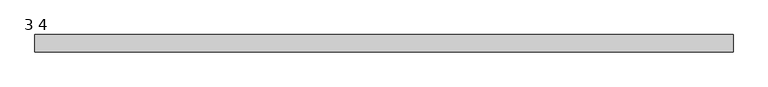
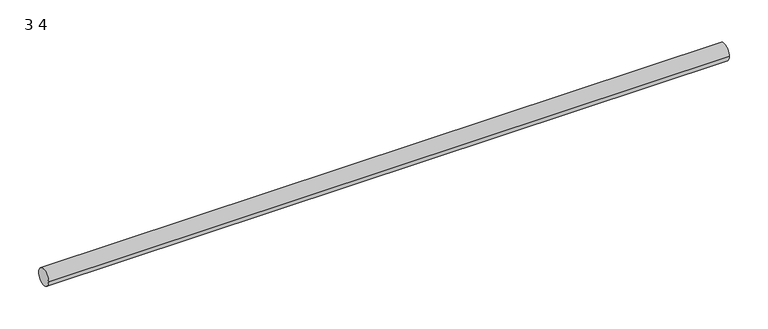
"""IFC4 building model written with IfcOpenShell, lengths in millimetres: furniture geometry, 3 4."""

from ifc_helpers import new_model, si_unit, point, frame, frame_2d, origin, place, context, project, spatial, circle_curve, trimmed, segment, composite_curve, outline, extrude, source, transform, mapped, element, save


def furniture_3_4_02aaf58f(model_context):
    return source(origin(), model_context, "Body", "SweptSolid", [
        extrude(outline(composite_curve([segment(trimmed(circle_curve(frame_2d((342.9, -12.7)), 12.7), [point((330.2, -12.7))], [point((355.6, -12.7))], False, "CARTESIAN"), True, "CONTINUOUS"), segment(trimmed(circle_curve(frame_2d((342.9, -12.7)), 12.7), [point((355.6, -12.7))], [point((330.2, -12.7))], False, "CARTESIAN"), True, "CONTINUOUS")], self_intersect=False)), frame((-489.2622951, 0.0, 0.0), z_axis=(1.0, 0.0, 0.0), x_axis=(0.0, 1.0, 0.0)), (0.0, 0.0, 1.0), 1016.0),
    ])


if __name__ == "__main__":
    model = new_model("IFC4")
    model_context = context("Model", 3, world=origin())
    ifc_project = project(units=[si_unit("LENGTHUNIT", "METRE", prefix="MILLI")], contexts=[model_context])
    site = spatial("IfcSite", under=ifc_project)
    building = spatial("IfcBuilding", under=site)
    placement = place(None, origin())
    furniture_3_4_shape = furniture_3_4_02aaf58f(model_context)
    element("IfcFurniture", 1, ObjectType="3 4", at=placement, inside=building, context=model_context, shape_type="MappedRepresentation", body=[
        mapped(furniture_3_4_shape, transform((0.0, 0.0, 0.0), x_axis=(1.0, 0.0, 0.0), y_axis=(0.0, 1.0, 0.0), z_axis=(0.0, 0.0, 1.0))),
    ])
    save(model, "model.ifc")
